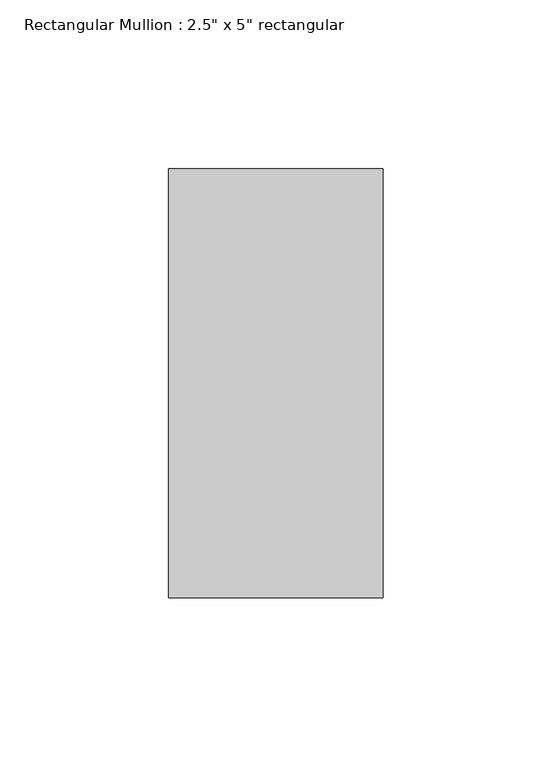
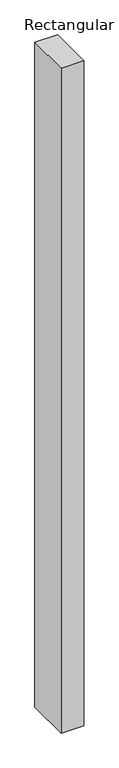
"""IFC4 building model written with IfcOpenShell, lengths in millimetres: member geometry."""

from ifc_helpers import new_model, si_unit, frame, origin, place, context, project, spatial, polyline, outline, extrude, source, transform, mapped, element, save


def member_ca2392e2(model_context):
    return source(origin(), model_context, "Body", "SweptSolid", [
        extrude(outline(polyline([(0.0, 63.5), (0.0, -63.5), (-63.5, -63.5), (-63.5, 63.5), (0.0, 63.5)])), frame((0.0, 0.0, -1970.6166667), z_axis=(0.0, 0.0, 1.0), x_axis=(1.0, 0.0, 0.0)), (0.0, 0.0, 1.0), 1970.6166667),
    ])


if __name__ == "__main__":
    model = new_model("IFC4")
    model_context = context("Model", 3, world=origin())
    ifc_project = project(units=[si_unit("LENGTHUNIT", "METRE", prefix="MILLI")], contexts=[model_context])
    site = spatial("IfcSite", under=ifc_project)
    building = spatial("IfcBuilding", under=site)
    placement = place(None, origin())
    member_shape = member_ca2392e2(model_context)
    element("IfcMember", 1, ObjectType="Rectangular Mullion : 2.5\" x 5\" rectangular", at=placement, inside=building, context=model_context, shape_type="MappedRepresentation", body=[
        mapped(member_shape, transform((0.0, 0.0, 0.0), x_axis=(1.0, 0.0, 0.0), y_axis=(0.0, 1.0, 0.0), z_axis=(0.0, 0.0, 1.0))),
    ])
    save(model, "model.ifc")
